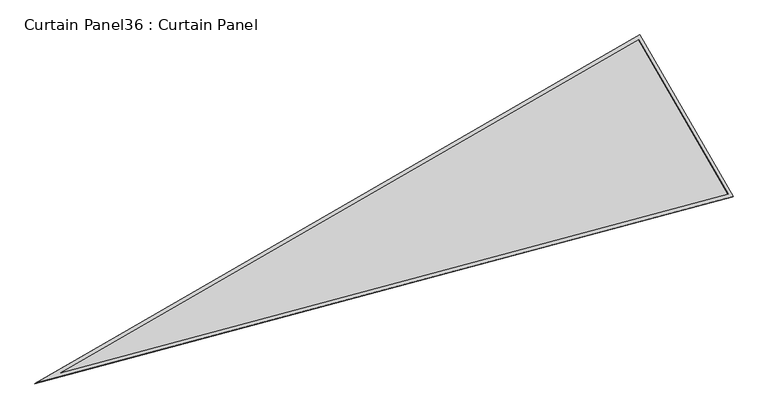
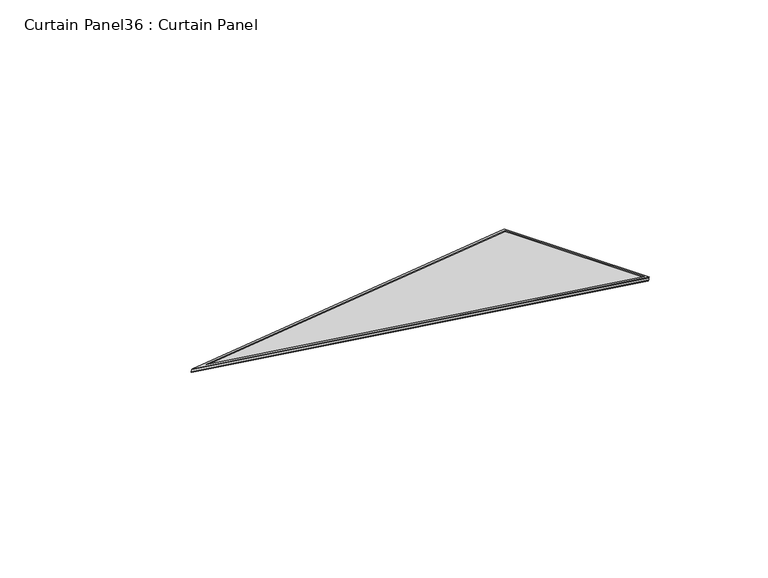
"""IFC4 building model written with IfcOpenShell, lengths in millimetres: plate geometry, Curtain Panel36 : Curtain Panel."""

from ifc_helpers import new_model, si_unit, frame, origin, place, context, project, spatial, polyline, outline, extrude, source, transform, mapped, element, save


def curtain_panel36_curtain_panel_a7131d42(model_context):
    return source(origin(), model_context, "Body", "SweptSolid", [
        extrude(outline(polyline([(895.9373554, 0.0), (0.0, -3524.4506618), (0.0, 0.0), (895.9373554, 0.0)]), holes=[polyline([(874.508816, -16.6627979), (16.6627979, -16.662798), (16.6627979, -3391.2692346), (874.508816, -16.6627979)])]), frame((18486.6588143, 3908.1139978, 898.7054589), z_axis=(0.27379031486168476, 0.15807291198690274, 0.9487106081329124), x_axis=(0.49999999999999367, -0.8660254037844424, 0.0)), (0.0, 0.0, 1.0), 4.8261654),
        extrude(outline(polyline([(895.9373554, 0.0), (0.0, -3524.4506618), (0.0, 0.0), (895.9373554, 0.0)]), holes=[polyline([(882.6749851, -10.3127979), (10.3127979, -10.3127979), (10.3127979, -3442.0231397), (882.6749851, -10.3127979)])]), frame((18481.8311819, 3905.3267629, 881.9772337), z_axis=(0.2737903148616858, 0.15807291198690399, 0.948710608132912), x_axis=(0.4999999999999944, -0.8660254037844419, 0.0)), (0.0, 0.0, 1.0), 4.7848467),
        extrude(outline(polyline([(12.7, 0.0), (908.6373554, 0.0), (12.7, -3524.4506618), (12.7, 0.0)])), frame((18476.7912266, 3917.0816402, 886.5166685), z_axis=(0.2737903148616801, 0.15807291198690002, 0.9487106081329142), x_axis=(0.4999999999999944, -0.866025403784442, 0.0)), (0.0, 0.0, 1.0), 12.8477434),
    ])


if __name__ == "__main__":
    model = new_model("IFC4")
    model_context = context("Model", 3, world=origin())
    ifc_project = project(units=[si_unit("LENGTHUNIT", "METRE", prefix="MILLI")], contexts=[model_context])
    site = spatial("IfcSite", under=ifc_project)
    building = spatial("IfcBuilding", under=site)
    placement = place(None, origin())
    curtain_panel36_curtain_panel_shape = curtain_panel36_curtain_panel_a7131d42(model_context)
    element("IfcPlate", 1, ObjectType="Curtain Panel36 : Curtain Panel", at=placement, inside=building, context=model_context, shape_type="MappedRepresentation", body=[
        mapped(curtain_panel36_curtain_panel_shape, transform((0.0, 0.0, 0.0), x_axis=(1.0, 0.0, 0.0), y_axis=(0.0, 1.0, 0.0), z_axis=(0.0, 0.0, 1.0))),
    ])
    save(model, "model.ifc")
